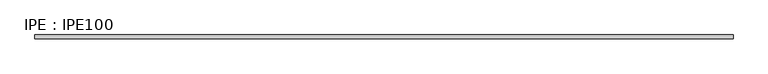
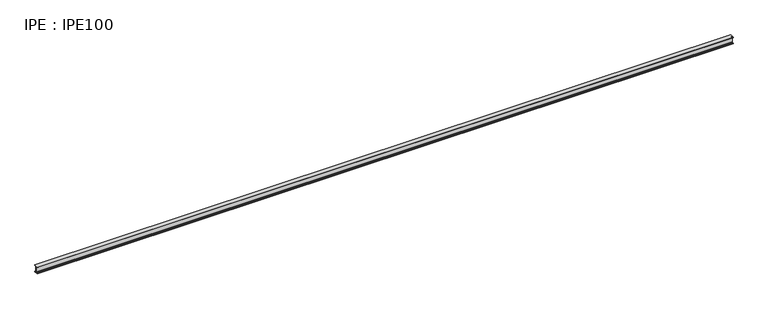
"""IFC4 building model written with IfcOpenShell, lengths in millimetres: beam geometry, IPE : IPE100."""

from ifc_helpers import new_model, si_unit, point, frame, frame_2d, origin, place, context, project, spatial, polyline, circle_curve, trimmed, segment, composite_curve, outline, extrude, source, transform, mapped, element, save


def ipe_ipe100_65ee0e5f(model_context):
    return source(origin(), model_context, "Body", "SweptSolid", [
        extrude(outline(composite_curve([segment(polyline([(27.5, -44.3), (27.5, -50.0), (-27.5, -50.0), (-27.5, -44.3), (-9.05, -44.3)]), True, "CONTINUOUS"), segment(trimmed(circle_curve(frame_2d((-9.05, -37.3)), 7.0), [point((-9.05, -44.3))], [point((-2.05, -37.3))], True, "CARTESIAN"), True, "CONTINUOUS"), segment(polyline([(-2.05, -37.3), (-2.05, 37.3)]), True, "CONTINUOUS"), segment(trimmed(circle_curve(frame_2d((-9.05, 37.3)), 7.0), [point((-2.05, 37.3))], [point((-9.05, 44.3))], True, "CARTESIAN"), True, "CONTINUOUS"), segment(polyline([(-9.05, 44.3), (-27.5, 44.3), (-27.5, 50.0), (27.5, 50.0), (27.5, 44.3), (9.05, 44.3)]), True, "CONTINUOUS"), segment(trimmed(circle_curve(frame_2d((9.05, 37.3)), 7.0), [point((9.05, 44.3))], [point((2.05, 37.3))], True, "CARTESIAN"), True, "CONTINUOUS"), segment(polyline([(2.05, 37.3), (2.05, -37.3)]), True, "CONTINUOUS"), segment(trimmed(circle_curve(frame_2d((9.05, -37.3)), 7.0), [point((2.05, -37.3))], [point((9.05, -44.3))], True, "CARTESIAN"), True, "CONTINUOUS"), segment(polyline([(9.05, -44.3), (27.5, -44.3)]), True, "CONTINUOUS")], self_intersect=False)), frame((-4912.3, 0.0, 0.0), z_axis=(1.0, 0.0, 0.0), x_axis=(0.0, 1.0, 0.0)), (0.0, 0.0, 1.0), 9824.6),
    ])


if __name__ == "__main__":
    model = new_model("IFC4")
    model_context = context("Model", 3, world=origin())
    ifc_project = project(units=[si_unit("LENGTHUNIT", "METRE", prefix="MILLI")], contexts=[model_context])
    site = spatial("IfcSite", under=ifc_project)
    building = spatial("IfcBuilding", under=site)
    placement = place(None, origin())
    ipe_ipe100_shape = ipe_ipe100_65ee0e5f(model_context)
    element("IfcBeam", 1, ObjectType="IPE : IPE100", at=placement, inside=building, context=model_context, shape_type="MappedRepresentation", body=[
        mapped(ipe_ipe100_shape, transform((0.0, 0.0, 0.0), x_axis=(1.0, 0.0, 0.0), y_axis=(0.0, 1.0, 0.0), z_axis=(0.0, 0.0, 1.0))),
    ])
    save(model, "model.ifc")
